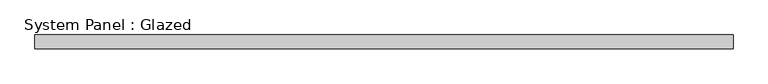
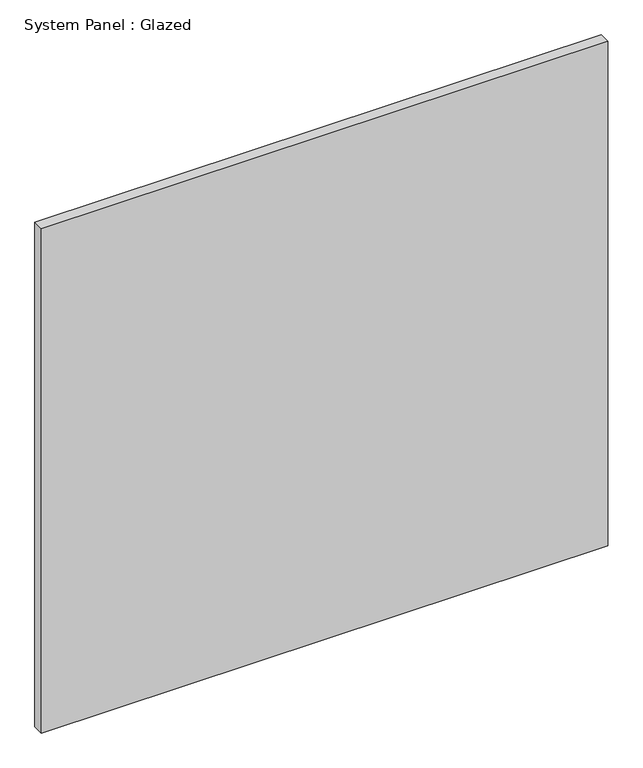
"""IFC4 building model written with IfcOpenShell, lengths in millimetres: plate geometry, System Panel : Glazed."""

from ifc_helpers import new_model, si_unit, origin, origin_with_axes, place, context, project, spatial, polyline, outline, extrude, source, transform, mapped, element, save


def system_panel_glazed_8b697340(model_context):
    return source(origin(), model_context, "Body", "SweptSolid", [
        extrude(outline(polyline([(647.7, -44.45), (-647.7, -44.45), (-647.7, -19.05), (647.7, -19.05), (647.7, -44.45)])), origin_with_axes(), (0.0, 0.0, 1.0), 1219.2),
    ])


if __name__ == "__main__":
    model = new_model("IFC4")
    model_context = context("Model", 3, world=origin())
    ifc_project = project(units=[si_unit("LENGTHUNIT", "METRE", prefix="MILLI")], contexts=[model_context])
    site = spatial("IfcSite", under=ifc_project)
    building = spatial("IfcBuilding", under=site)
    placement = place(None, origin())
    system_panel_glazed_shape = system_panel_glazed_8b697340(model_context)
    element("IfcPlate", 1, ObjectType="System Panel : Glazed", at=placement, inside=building, context=model_context, shape_type="MappedRepresentation", body=[
        mapped(system_panel_glazed_shape, transform((0.0, 0.0, 0.0), x_axis=(1.0, 0.0, 0.0), y_axis=(0.0, 1.0, 0.0), z_axis=(0.0, 0.0, 1.0))),
    ])
    save(model, "model.ifc")
